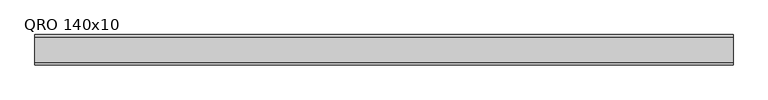
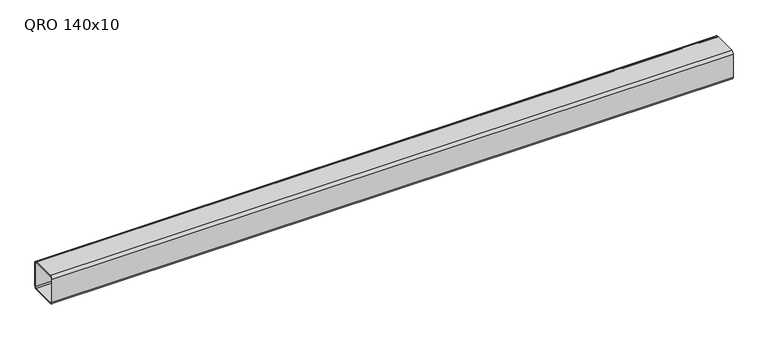
"""IFC4 building model written with IfcOpenShell, lengths in millimetres: beam geometry, QRO 140x10."""

from ifc_helpers import new_model, si_unit, point, frame, frame_2d, origin, place, context, project, spatial, polyline, circle_curve, trimmed, segment, composite_curve, outline, extrude, source, transform, mapped, element, save


def qro_140x10_9b29134f(model_context):
    return source(origin(), model_context, "Body", "SweptSolid", [
        extrude(outline(composite_curve([segment(polyline([(70.0, 58.0), (70.0, -58.0)]), True, "CONTINUOUS"), segment(trimmed(circle_curve(frame_2d((58.0, -58.0)), 12.0), [point((70.0, -58.0))], [point((58.0, -70.0))], False, "CARTESIAN"), True, "CONTINUOUS"), segment(polyline([(58.0, -70.0), (-58.0, -70.0)]), True, "CONTINUOUS"), segment(trimmed(circle_curve(frame_2d((-58.0, -58.0)), 12.0), [point((-58.0, -70.0))], [point((-70.0, -58.0))], False, "CARTESIAN"), True, "CONTINUOUS"), segment(polyline([(-70.0, -58.0), (-70.0, 58.0)]), True, "CONTINUOUS"), segment(trimmed(circle_curve(frame_2d((-58.0, 58.0)), 12.0), [point((-70.0, 58.0))], [point((-58.0, 70.0))], False, "CARTESIAN"), True, "CONTINUOUS"), segment(polyline([(-58.0, 70.0), (58.0, 70.0)]), True, "CONTINUOUS"), segment(trimmed(circle_curve(frame_2d((58.0, 58.0)), 12.0), [point((58.0, 70.0))], [point((70.0, 58.0))], False, "CARTESIAN"), True, "CONTINUOUS")], self_intersect=False), holes=[composite_curve([segment(trimmed(circle_curve(frame_2d((-58.0, 58.0)), 6.0), [point((-58.0, 64.0))], [point((-64.0, 58.0))], True, "CARTESIAN"), True, "CONTINUOUS"), segment(polyline([(-64.0, 58.0), (-64.0, -58.0)]), True, "CONTINUOUS"), segment(trimmed(circle_curve(frame_2d((-58.0, -58.0)), 6.0), [point((-64.0, -58.0))], [point((-58.0, -64.0))], True, "CARTESIAN"), True, "CONTINUOUS"), segment(polyline([(-58.0, -64.0), (58.0, -64.0)]), True, "CONTINUOUS"), segment(trimmed(circle_curve(frame_2d((58.0, -58.0)), 6.0), [point((58.0, -64.0))], [point((64.0, -58.0))], True, "CARTESIAN"), True, "CONTINUOUS"), segment(polyline([(64.0, -58.0), (64.0, 58.0)]), True, "CONTINUOUS"), segment(trimmed(circle_curve(frame_2d((58.0, 58.0)), 6.0), [point((64.0, 58.0))], [point((58.0, 64.0))], True, "CARTESIAN"), True, "CONTINUOUS"), segment(polyline([(58.0, 64.0), (-58.0, 64.0)]), True, "CONTINUOUS")], self_intersect=False)]), frame((-1527.2191368, 0.0, 0.0), z_axis=(1.0, 0.0, 0.0), x_axis=(0.0, 1.0, 0.0)), (0.0, 0.0, 1.0), 3237.2085299),
    ])


if __name__ == "__main__":
    model = new_model("IFC4")
    model_context = context("Model", 3, world=origin())
    ifc_project = project(units=[si_unit("LENGTHUNIT", "METRE", prefix="MILLI")], contexts=[model_context])
    site = spatial("IfcSite", under=ifc_project)
    building = spatial("IfcBuilding", under=site)
    placement = place(None, origin())
    qro_140x10_shape = qro_140x10_9b29134f(model_context)
    element("IfcBeam", 1, ObjectType="QRO 140x10", at=placement, inside=building, context=model_context, shape_type="MappedRepresentation", body=[
        mapped(qro_140x10_shape, transform((0.0, 0.0, 0.0), x_axis=(1.0, 0.0, 0.0), y_axis=(0.0, 1.0, 0.0), z_axis=(0.0, 0.0, 1.0))),
    ])
    save(model, "model.ifc")
